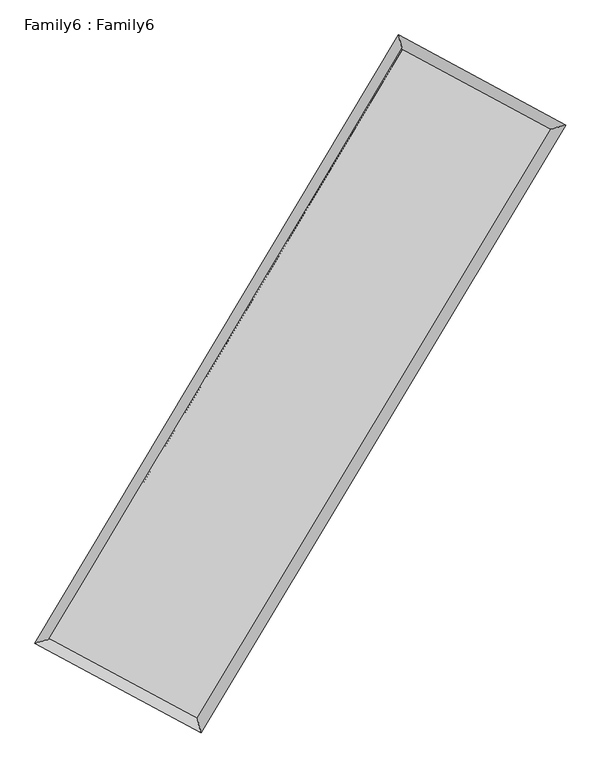
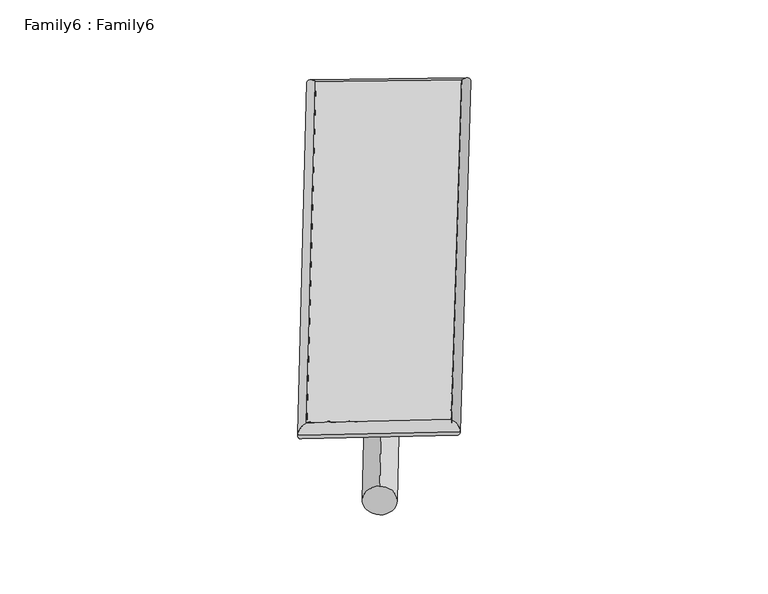
"""IFC4 building model written with IfcOpenShell, lengths in millimetres: plate geometry, Family6 : Family6."""

from ifc_helpers import new_model, si_unit, point, frame, origin, origin_2d, place, context, project, spatial, circle_curve, ellipse_curve, trimmed, segment, composite_curve, outline, extrude, source, transform, mapped, element, save
from ifc_brep_helpers import plane_surface, cylinder_surface, spline_surface, advanced_brep


def family6_family6_dd8845df(model_context):
    return source(origin(), model_context, "Body", "SolidModel", [
        extrude(outline(composite_curve([segment(trimmed(circle_curve(origin_2d(), 76.2), [point((-75.4341514, -10.7763073))], [point((75.4341514, 10.7763073))], False, "CARTESIAN"), True, "CONTINUOUS"), segment(trimmed(circle_curve(origin_2d(), 76.2), [point((75.4341514, 10.7763073))], [point((-75.4341514, -10.7763073))], False, "CARTESIAN"), True, "CONTINUOUS")], self_intersect=False)), frame((9144.0, 9144.0, 0.0), z_axis=(0.6763673027553315, 0.685553384891523, 0.2693396150350949), x_axis=(-0.6773664664297859, 0.722560349092604, -0.13813476056228582)), (0.0, 0.0, 1.0), 5618.5399923),
        extrude(outline(composite_curve([segment(trimmed(circle_curve(origin_2d(), 76.2), [point((-53.8815367, 53.8815367))], [point((53.8815367, -53.8815367))], False, "CARTESIAN"), True, "CONTINUOUS"), segment(trimmed(circle_curve(origin_2d(), 76.2), [point((53.8815367, -53.8815367))], [point((-53.8815367, 53.8815367))], False, "CARTESIAN"), True, "CONTINUOUS")], self_intersect=False)), frame((9144.0, 9144.0, 0.0), z_axis=(-0.6751044720407717, -0.686780009182457, 0.2693829445564352), x_axis=(0.638756598726647, -0.36148626313366583, 0.6792037169721786)), (0.0, 0.0, 1.0), 5617.2015166),
        extrude(outline(composite_curve([segment(trimmed(circle_curve(origin_2d(), 76.2), [point((-53.8815367, -53.8815367))], [point((53.8815367, 53.8815367))], False, "CARTESIAN"), True, "CONTINUOUS"), segment(trimmed(circle_curve(origin_2d(), 76.2), [point((53.8815367, 53.8815367))], [point((-53.8815367, -53.8815367))], False, "CARTESIAN"), True, "CONTINUOUS")], self_intersect=False)), frame((9144.0, 9144.0, 0.0), z_axis=(0.27951779384490094, 0.9190743883875412, 0.27779861686867124), x_axis=(-0.8394475953869734, 0.37436809998149806, -0.39392418092225734)), (0.0, 0.0, 1.0), 5513.3035475),
        extrude(outline(composite_curve([segment(trimmed(circle_curve(origin_2d(), 76.2), [point((-75.4341514, 10.7763073))], [point((75.4341514, -10.7763073))], False, "CARTESIAN"), True, "CONTINUOUS"), segment(trimmed(circle_curve(origin_2d(), 76.2), [point((75.4341514, -10.7763073))], [point((-75.4341514, 10.7763073))], False, "CARTESIAN"), True, "CONTINUOUS")], self_intersect=False)), frame((9144.0, 9144.0, 0.0), z_axis=(-0.2812730806275751, -0.918523037930015, 0.27785046860872803), x_axis=(0.8759548890548532, -0.1275049043571154, 0.46523707043375523)), (0.0, 0.0, 1.0), 5512.2429383),
        advanced_brep(
        [(5139.2007991, 5227.5216134, 1514.6091938), (5564.4150065, 5344.9316967, 1515.0521439), (5564.4034725, 5344.9149683, 1511.7473756), (10741.1528596, 14007.913847, 1529.6169193), (10628.9800291, 14414.3583247, 1533.5592805), (5139.1892651, 5227.504885, 1511.3044255), (12731.3240576, 12937.2767313, 1513.5020421), (13157.0694224, 13054.3414884, 1513.0887551), (7537.6909163, 4283.9450738, 1531.249405), (7649.4179788, 3877.8106672, 1531.909162)],
        [
            (0, 1, ellipse_curve(frame((5351.8021358, 5286.2182909, 1513.1782847), z_axis=(-0.26615400068201217, 0.9639224255798825, -0.00395036519264211), x_axis=(-0.9639047277954458, -0.2661746237439661, -0.006224580977527603)), 220.5794252, 152.4)),
            (1, 2, ellipse_curve(frame((5351.8021358, 5286.2182909, 1513.1782847), z_axis=(-0.26615400068201217, 0.9639224255798825, -0.00395036519264211), x_axis=(-0.9639047277954458, -0.2661746237439661, -0.006224580977527603)), 220.5794252, 152.4)),
            (2, 3),
            (3, 4, ellipse_curve(frame((10685.0664444, 14211.1360859, 1531.5880999), z_axis=(-0.9639462328304037, -0.2660712585117643, 0.003707506714624361), x_axis=(0.26604454864212496, -0.963939216011677, -0.006440960534073102)), 210.8297739, 152.4)),
            (4, 0),
            (2, 5, ellipse_curve(frame((5351.8021358, 5286.2182909, 1513.1782847), z_axis=(-0.26615400068201217, 0.9639224255798825, -0.00395036519264211), x_axis=(-0.9639047277954458, -0.2661746237439661, -0.006224580977527603)), 220.5794252, 152.4)),
            (5, 0, ellipse_curve(frame((5351.8021358, 5286.2182909, 1513.1782847), z_axis=(-0.26615400068201217, 0.9639224255798825, -0.00395036519264211), x_axis=(-0.9639047277954458, -0.2661746237439661, -0.006224580977527603)), 220.5794252, 152.4)),
            (4, 3, ellipse_curve(frame((10685.0664444, 14211.1360859, 1531.5880999), z_axis=(-0.9639462328304037, -0.2660712585117643, 0.003707506714624361), x_axis=(0.26604454864212496, -0.963939216011677, -0.006440960534073102)), 210.8297739, 152.4)),
            (3, 6),
            (6, 7, ellipse_curve(frame((12944.19674, 12995.8091099, 1513.2953986), z_axis=(-0.2651189214141552, 0.964207869570175, 0.003891242364548029), x_axis=(-0.9641906392266387, -0.2651389746284745, 0.0061429114177991625)), 220.7766128, 152.4)),
            (7, 4),
            (7, 6, ellipse_curve(frame((12944.19674, 12995.8091099, 1513.2953986), z_axis=(-0.2651189214141552, 0.964207869570175, 0.003891242364548029), x_axis=(-0.9641906392266387, -0.2651389746284745, 0.0061429114177991625)), 220.7766128, 152.4)),
            (6, 8),
            (8, 9, ellipse_curve(frame((7593.5544476, 4080.8778705, 1531.5792835), z_axis=(0.9641725892515787, 0.2652488029574228, 0.0037802996654582362), x_axis=(-0.26522134439637157, 0.9641655703536884, -0.00651086946020611)), 210.6136718, 152.4)),
            (9, 7),
            (9, 8, ellipse_curve(frame((7593.5544476, 4080.8778705, 1531.5792835), z_axis=(0.9641725892515787, 0.2652488029574228, 0.0037802996654582362), x_axis=(-0.26522134439637157, 0.9641655703536884, -0.00651086946020611)), 210.6136718, 152.4)),
            (8, 1),
            (5, 9),
        ],
        [
            cylinder_surface(frame((5351.8021358, 5286.2182909, 1513.1782847), z_axis=(-0.5129604320605234, -0.858410426212949, -0.0017706804297764247), x_axis=(-0.8583677400853129, 0.5129117354960634, 0.011241635612711241)), 152.4),
            cylinder_surface(frame((10685.0664444, 14211.1360859, 1531.5880999), z_axis=(-0.8806321633874131, 0.47374692207252056, 0.00713068260531587), x_axis=(0.4737885195793217, 0.8806174025461212, 0.006117928387741496)), 152.4),
            cylinder_surface(frame((12944.19674, 12995.8091099, 1513.2953986), z_axis=(0.5146140140408941, 0.8574201561690036, -0.0017585072760954862), x_axis=(0.8574218210307903, -0.514614014040894, 0.00048720936136394577)), 152.4),
            cylinder_surface(frame((7593.5544476, 4080.8778705, 1531.5792835), z_axis=(0.8807360726347551, -0.47355222181448425, 0.007229355052375434), x_axis=(-0.4735291711905873, -0.8807654286499218, -0.004731144330417861)), 152.4),
        ],
        [
            (0, [[1, 2, 3, 4, 5]]),
            (0, [[6, 7, -5, 8, -3]]),
            (1, [[-4, 9, 10, 11]]),
            (1, [[-8, -11, 12, -9]]),
            (2, [[-10, 13, 14, 15]]),
            (2, [[-12, -15, 16, -13]]),
            (3, [[-14, 17, -1, -7, 18]]),
            (3, [[-16, -18, -6, -2, -17]]),
        ],
    ),
        extrude(outline(composite_curve([segment(trimmed(circle_curve(origin_2d(), 304.8), [point((0.0, 304.8))], [point((0.0, -304.8))], False, "CARTESIAN"), True, "CONTINUOUS"), segment(trimmed(circle_curve(origin_2d(), 304.8), [point((0.0, -304.8))], [point((0.0, 304.8))], False, "CARTESIAN"), True, "CONTINUOUS")], self_intersect=False)), frame((11816.9216739, 13630.6324295, -0.0009493), z_axis=(-0.5118100180834624, -0.8590986587053742, 1.8177410934641373e-07), x_axis=(-0.8590986587053919, 0.5118100180834624, -5.004242768723178e-08)), (0.0, 0.0, 1.0), 10444.9759852),
        advanced_brep(
        [(5351.8021358, 5286.2182909, 1513.1782847), (7593.5544476, 4080.8778705, 1531.5792835), (7593.5549219, 4080.8765022, 1683.9792835), (5351.8026101, 5286.2169225, 1665.5782847), (12944.19674, 12995.8091099, 1513.2953986), (12944.1972143, 12995.8077415, 1665.6953986), (10685.0664444, 14211.1360859, 1531.5880999), (10685.0669187, 14211.1347175, 1683.9880999)],
        [
            (0, 1),
            (1, 2),
            (2, 3),
            (3, 0),
            (1, 4),
            (4, 5),
            (5, 2),
            (4, 6),
            (6, 7),
            (7, 5),
            (6, 0),
            (3, 7),
        ],
        [
            plane_surface(frame((6472.6782917, 4683.5480807, 1522.3787841), z_axis=(-0.47356455608604037, -0.8807591107548266, -6.4341916551058885e-06), x_axis=(0.8807360726347555, -0.4735522218144831, 0.0072293550523754415))),
            plane_surface(frame((10268.8755938, 8538.3434902, 1522.437341), z_axis=(0.8574214752734819, -0.5146148207025444, -7.289312268705093e-06), x_axis=(0.5146140140408932, 0.8574201561690041, -0.001758507276095482))),
            plane_surface(frame((11814.6315922, 13603.4725979, 1522.4417492), z_axis=(0.4737590071362376, 0.8806545310823691, 6.432647430773715e-06), x_axis=(-0.8806321633874133, 0.47374692207252, 0.00713068260531587))),
            plane_surface(frame((8018.4342901, 9748.6771884, 1522.3831923), z_axis=(-0.8584117784945656, 0.5129612251319143, 7.27754726543618e-06), x_axis=(-0.5129604320605226, -0.8584104262129496, -0.0017706804297764318))),
            spline_surface(1, 1, [[(7593.5549219, 4080.8765022, 1683.9792835), (5351.8026101, 5286.2169225, 1665.5782847)], [(12944.1972143, 12995.8077415, 1665.6953986), (10685.0669187, 14211.1347175, 1683.9880999)]], [2, 2], [2, 2], [0.0, 1.0], [0.0, 1.0]),
            spline_surface(1, 1, [[(10685.0664444, 14211.1360859, 1531.5880999), (5351.8021358, 5286.2182909, 1513.1782847)], [(12944.19674, 12995.8091099, 1513.2953986), (7593.5544476, 4080.8778705, 1531.5792835)]], [2, 2], [2, 2], [0.0, 1.0], [0.0, 1.0]),
        ],
        [
            (0, [[1, 2, 3, 4]]),
            (1, [[5, 6, 7, -2]]),
            (2, [[8, 9, 10, -6]]),
            (3, [[11, -4, 12, -9]]),
            (4, [[-3, -7, -10, -12]]),
            (5, [[-11, -8, -5, -1]]),
        ],
    ),
    ])


if __name__ == "__main__":
    model = new_model("IFC4")
    model_context = context("Model", 3, world=origin())
    ifc_project = project(units=[si_unit("LENGTHUNIT", "METRE", prefix="MILLI")], contexts=[model_context])
    site = spatial("IfcSite", under=ifc_project)
    building = spatial("IfcBuilding", under=site)
    placement = place(None, origin())
    family6_family6_shape = family6_family6_dd8845df(model_context)
    element("IfcPlate", 1, ObjectType="Family6 : Family6", at=placement, inside=building, context=model_context, shape_type="MappedRepresentation", body=[
        mapped(family6_family6_shape, transform((0.0, 0.0, 0.0), x_axis=(1.0, 0.0, 0.0), y_axis=(0.0, 1.0, 0.0), z_axis=(0.0, 0.0, 1.0))),
    ])
    save(model, "model.ifc")
